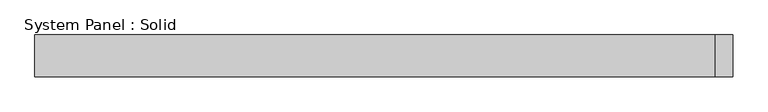
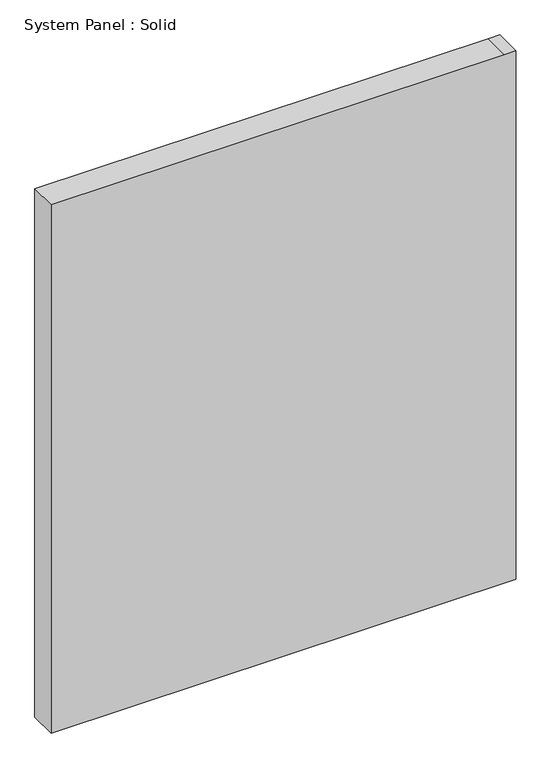
"""IFC4 building model written with IfcOpenShell, lengths in millimetres: plate geometry, System Panel : Solid."""

from ifc_helpers import new_model, si_unit, frame, origin, place, context, project, spatial, polyline, outline, extrude, source, transform, mapped, element, save


def system_panel_solid_54beaa7b(model_context):
    return source(origin(), model_context, "Body", "SweptSolid", [
        extrude(outline(polyline([(0.0, -500.0), (0.0, 500.0), (1200.0, 500.0), (1200.0, 475.0), (1200.0, -500.0), (0.0, -500.0)])), frame((0.0, -10.5, 0.0), z_axis=(0.0, 1.0, 0.0), x_axis=(0.0, 0.0, 1.0)), (0.0, 0.0, 1.0), 60.0),
    ])


if __name__ == "__main__":
    model = new_model("IFC4")
    model_context = context("Model", 3, world=origin())
    ifc_project = project(units=[si_unit("LENGTHUNIT", "METRE", prefix="MILLI")], contexts=[model_context])
    site = spatial("IfcSite", under=ifc_project)
    building = spatial("IfcBuilding", under=site)
    placement = place(None, origin())
    system_panel_solid_shape = system_panel_solid_54beaa7b(model_context)
    element("IfcPlate", 1, ObjectType="System Panel : Solid", at=placement, inside=building, context=model_context, shape_type="MappedRepresentation", body=[
        mapped(system_panel_solid_shape, transform((0.0, 0.0, 0.0), x_axis=(1.0, 0.0, 0.0), y_axis=(0.0, 1.0, 0.0), z_axis=(0.0, 0.0, 1.0))),
    ])
    save(model, "model.ifc")
